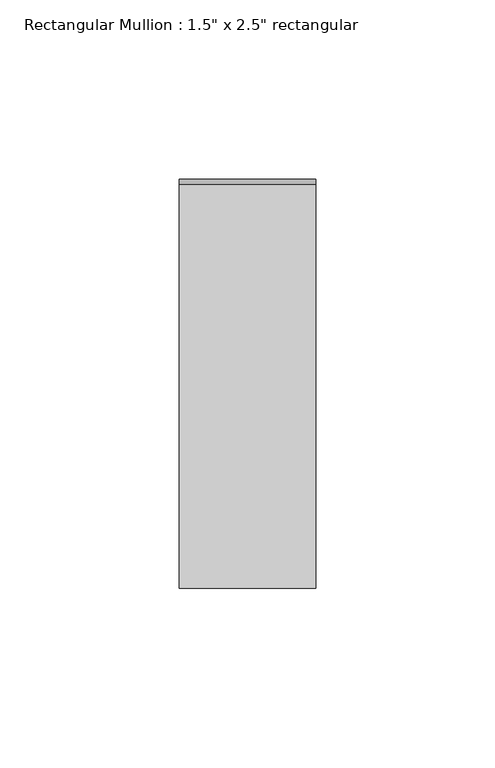
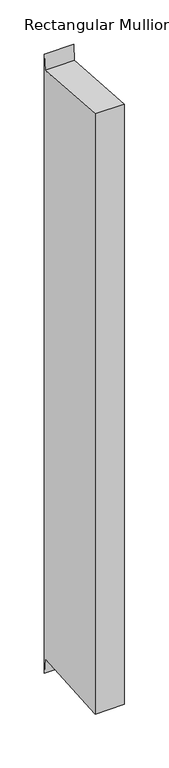
"""IFC4 building model written with IfcOpenShell, lengths in millimetres: member geometry."""

from ifc_helpers import new_model, si_unit, frame, origin, place, context, project, spatial, polyline, outline, extrude, source, transform, mapped, element, save


def member_51a4bb4a(model_context):
    return source(origin(), model_context, "Body", "SweptSolid", [
        extrude(outline(polyline([(-57.15, 4.0387875), (55.6453769, -4.0284971), (57.15, 17.0088826), (57.15, -834.1800821), (55.6453769, -813.1427024), (-57.15, -821.209987), (-57.15, 4.0387875)])), frame((-38.1, 0.0, 0.0), z_axis=(1.0, 0.0, 0.0), x_axis=(0.0, 1.0, 0.0)), (0.0, 0.0, 1.0), 38.1),
    ])


if __name__ == "__main__":
    model = new_model("IFC4")
    model_context = context("Model", 3, world=origin())
    ifc_project = project(units=[si_unit("LENGTHUNIT", "METRE", prefix="MILLI")], contexts=[model_context])
    site = spatial("IfcSite", under=ifc_project)
    building = spatial("IfcBuilding", under=site)
    placement = place(None, origin())
    member_shape = member_51a4bb4a(model_context)
    element("IfcMember", 1, ObjectType="Rectangular Mullion : 1.5\" x 2.5\" rectangular", at=placement, inside=building, context=model_context, shape_type="MappedRepresentation", body=[
        mapped(member_shape, transform((0.0, 0.0, 0.0), x_axis=(1.0, 0.0, 0.0), y_axis=(0.0, 1.0, 0.0), z_axis=(0.0, 0.0, 1.0))),
    ])
    save(model, "model.ifc")
